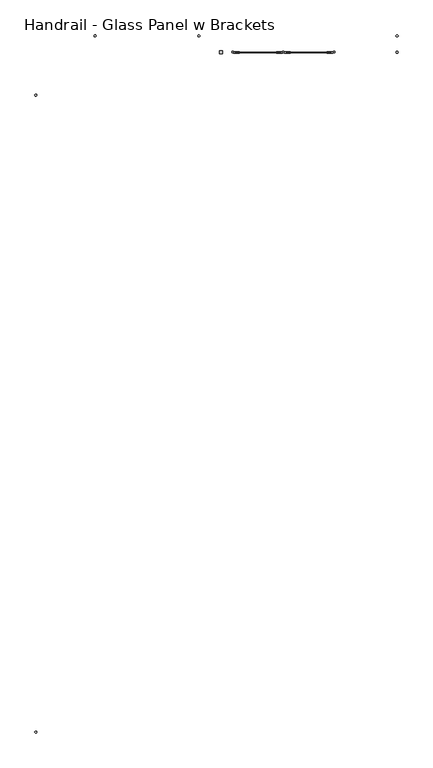
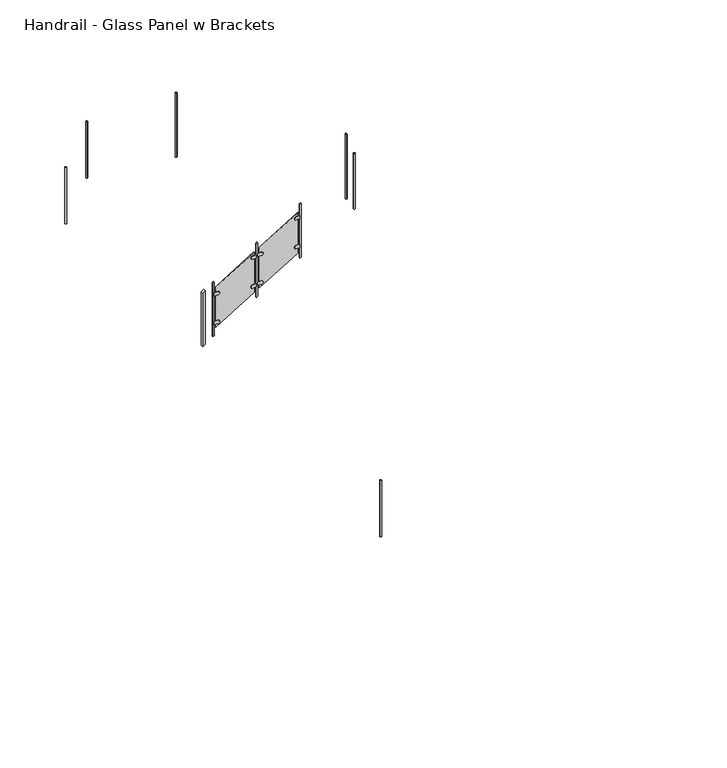
"""IFC4 building model written with IfcOpenShell, lengths in millimetres: railing geometry, Handrail - Glass Panel w Brackets."""

from ifc_helpers import new_model, si_unit, point, frame, frame_2d, origin, place, context, project, spatial, polyline, circle_curve, ellipse_curve, trimmed, segment, composite_curve, outline, extrude, source, transform, mapped, element, save
from ifc_brep_helpers import plane_surface, cylinder_surface, advanced_brep


def handrail_glass_panel_w_brackets_433edfd0(model_context):
    return source(origin(), model_context, "Body", "SolidModel", [
        extrude(outline(polyline([(1880.6197519, -1575.8516552), (1052.318645, -1575.8516552), (1063.8640995, -1556.8016552), (1892.1652064, -1556.8016552), (1880.6197519, -1575.8516552)])), frame((0.0, 9259.252236, 0.0), z_axis=(0.0, 1.0, 0.0), x_axis=(0.0, 0.0, 1.0)), (0.0, 0.0, 1.0), 19.05),
        extrude(outline(composite_curve([segment(trimmed(circle_curve(frame_2d((1687.9933191, -1629.8266552)), 25.4), [point((1713.3933191, -1629.8266552))], [point((1662.5933191, -1629.8266552))], False, "CARTESIAN"), True, "CONTINUOUS"), segment(polyline([(1662.5933191, -1629.8266552), (1662.5933191, -1579.0266552), (1713.3933191, -1579.0266552), (1713.3933191, -1629.8266552)]), True, "CONTINUOUS")], self_intersect=False)), frame((0.0, 9256.077236, 0.0), z_axis=(0.0, 1.0, 0.0), x_axis=(0.0, 0.0, 1.0)), (0.0, 0.0, 1.0), 19.05),
        extrude(outline(composite_curve([segment(polyline([(1343.9387736, -2137.8266552), (1343.9387736, -2188.6266552), (1293.1387736, -2188.6266552), (1293.1387736, -2137.8266552)]), True, "CONTINUOUS"), segment(trimmed(circle_curve(frame_2d((1318.5387736, -2137.8266552)), 25.4), [point((1293.1387736, -2137.8266552))], [point((1343.9387736, -2137.8266552))], False, "CARTESIAN"), True, "CONTINUOUS")], self_intersect=False)), frame((0.0, 9256.077236, 0.0), z_axis=(0.0, 1.0, 0.0), x_axis=(0.0, 0.0, 1.0)), (0.0, 0.0, 1.0), 19.05),
        extrude(outline(composite_curve([segment(trimmed(circle_curve(frame_2d((1244.0998902, -1629.8266552)), 25.4), [point((1269.4998902, -1629.8266552))], [point((1218.6998902, -1629.8266552))], False, "CARTESIAN"), True, "CONTINUOUS"), segment(polyline([(1218.6998902, -1629.8266552), (1218.6998902, -1579.0266552), (1269.4998902, -1579.0266552), (1269.4998902, -1629.8266552)]), True, "CONTINUOUS")], self_intersect=False)), frame((0.0, 9256.077236, 0.0), z_axis=(0.0, 1.0, 0.0), x_axis=(0.0, 0.0, 1.0)), (0.0, 0.0, 1.0), 19.05),
        extrude(outline(composite_curve([segment(polyline([(900.0453447, -2137.8266552), (900.0453447, -2188.6266552), (849.2453447, -2188.6266552), (849.2453447, -2137.8266552)]), True, "CONTINUOUS"), segment(trimmed(circle_curve(frame_2d((874.6453447, -2137.8266552)), 25.4), [point((849.2453447, -2137.8266552))], [point((900.0453447, -2137.8266552))], False, "CARTESIAN"), True, "CONTINUOUS")], self_intersect=False)), frame((0.0, 9256.077236, 0.0), z_axis=(0.0, 1.0, 0.0), x_axis=(0.0, 0.0, 1.0)), (0.0, 0.0, 1.0), 19.05),
        extrude(outline(polyline([(1423.0349034, -2163.2266552), (800.9370938, -2163.2266552), (1139.6037604, -1604.4266552), (1761.70157, -1604.4266552), (1423.0349034, -2163.2266552)])), frame((0.0, 9262.427236, 0.0), z_axis=(0.0, 1.0, 0.0), x_axis=(0.0, 0.0, 1.0)), (0.0, 0.0, 1.0), 6.35),
        extrude(outline(polyline([(1495.771267, -2210.8516552), (667.4701601, -2210.8516552), (679.0156147, -2191.8016552), (1507.3167216, -2191.8016552), (1495.771267, -2210.8516552)])), frame((0.0, 9259.252236, 0.0), z_axis=(0.0, 1.0, 0.0), x_axis=(0.0, 0.0, 1.0)), (0.0, 0.0, 1.0), 19.05),
        extrude(outline(composite_curve([segment(trimmed(circle_curve(frame_2d((1303.1448342, -2264.8266552)), 25.4), [point((1328.5448342, -2264.8266552))], [point((1277.7448342, -2264.8266552))], False, "CARTESIAN"), True, "CONTINUOUS"), segment(polyline([(1277.7448342, -2264.8266552), (1277.7448342, -2214.0266552), (1328.5448342, -2214.0266552), (1328.5448342, -2264.8266552)]), True, "CONTINUOUS")], self_intersect=False)), frame((0.0, 9256.077236, 0.0), z_axis=(0.0, 1.0, 0.0), x_axis=(0.0, 0.0, 1.0)), (0.0, 0.0, 1.0), 19.05),
        extrude(outline(composite_curve([segment(polyline([(959.0902888, -2772.8266552), (959.0902888, -2823.6266552), (908.2902888, -2823.6266552), (908.2902888, -2772.8266552)]), True, "CONTINUOUS"), segment(trimmed(circle_curve(frame_2d((933.6902888, -2772.8266552)), 25.4), [point((908.2902888, -2772.8266552))], [point((959.0902888, -2772.8266552))], False, "CARTESIAN"), True, "CONTINUOUS")], self_intersect=False)), frame((0.0, 9256.077236, 0.0), z_axis=(0.0, 1.0, 0.0), x_axis=(0.0, 0.0, 1.0)), (0.0, 0.0, 1.0), 19.05),
        extrude(outline(composite_curve([segment(trimmed(circle_curve(frame_2d((859.2514054, -2264.8266552)), 25.4), [point((884.6514054, -2264.8266552))], [point((833.8514054, -2264.8266552))], False, "CARTESIAN"), True, "CONTINUOUS"), segment(polyline([(833.8514054, -2264.8266552), (833.8514054, -2214.0266552), (884.6514054, -2214.0266552), (884.6514054, -2264.8266552)]), True, "CONTINUOUS")], self_intersect=False)), frame((0.0, 9256.077236, 0.0), z_axis=(0.0, 1.0, 0.0), x_axis=(0.0, 0.0, 1.0)), (0.0, 0.0, 1.0), 19.05),
        extrude(outline(composite_curve([segment(polyline([(515.1968599, -2772.8266552), (515.1968599, -2823.6266552), (464.3968599, -2823.6266552), (464.3968599, -2772.8266552)]), True, "CONTINUOUS"), segment(trimmed(circle_curve(frame_2d((489.7968599, -2772.8266552)), 25.4), [point((464.3968599, -2772.8266552))], [point((515.1968599, -2772.8266552))], False, "CARTESIAN"), True, "CONTINUOUS")], self_intersect=False)), frame((0.0, 9256.077236, 0.0), z_axis=(0.0, 1.0, 0.0), x_axis=(0.0, 0.0, 1.0)), (0.0, 0.0, 1.0), 19.05),
        extrude(outline(polyline([(1038.1864185, -2798.2266552), (416.0886089, -2798.2266552), (754.7552756, -2239.4266552), (1376.8530852, -2239.4266552), (1038.1864185, -2798.2266552)])), frame((0.0, 9262.427236, 0.0), z_axis=(0.0, 1.0, 0.0), x_axis=(0.0, 0.0, 1.0)), (0.0, 0.0, 1.0), 6.35),
        extrude(outline(polyline([(1110.9227822, -2845.8516552), (282.6216753, -2845.8516552), (294.1671298, -2826.8016552), (1122.4682367, -2826.8016552), (1110.9227822, -2845.8516552)])), frame((0.0, 9259.252236, 0.0), z_axis=(0.0, 1.0, 0.0), x_axis=(0.0, 0.0, 1.0)), (0.0, 0.0, 1.0), 19.05),
        extrude(outline(composite_curve([segment(trimmed(circle_curve(frame_2d((-5296.9516552, 8732.606785)), 12.7), [point((-5305.9319113, 8741.5870411))], [point((-5287.9713991, 8723.6265289))], False, "CARTESIAN"), True, "CONTINUOUS"), segment(trimmed(circle_curve(frame_2d((-5296.9516552, 8732.606785)), 12.7), [point((-5287.9713991, 8723.6265289))], [point((-5305.9319113, 8741.5870411))], False, "CARTESIAN"), True, "CONTINUOUS")], self_intersect=False)), frame((0.0, 0.0, 3211.7376169), z_axis=(0.0, 0.0, 1.0), x_axis=(1.0, 0.0, 0.0)), (0.0, 0.0, 1.0), 863.6),
        extrude(outline(composite_curve([segment(trimmed(circle_curve(frame_2d((-4557.5812041, 9471.977236)), 12.7), [point((-4557.5812041, 9484.677236))], [point((-4557.5812041, 9459.277236))], False, "CARTESIAN"), True, "CONTINUOUS"), segment(trimmed(circle_curve(frame_2d((-4557.5812041, 9471.977236)), 12.7), [point((-4557.5812041, 9459.277236))], [point((-4557.5812041, 9484.677236))], False, "CARTESIAN"), True, "CONTINUOUS")], self_intersect=False)), frame((0.0, 0.0, 3210.6468773), z_axis=(0.0, 0.0, 1.0), x_axis=(1.0, 0.0, 0.0)), (0.0, 0.0, 1.0), 864.6907396),
        advanced_brep(
        [(-3258.893723, 9459.277236, 4066.7361566), (-3258.893723, 9484.677236, 4066.7361566), (-3258.893723, 9484.677236, 3076.0088616), (-3258.893723, 9459.277236, 3076.0088616)],
        [
            (0, 1, ellipse_curve(frame((-3258.893723, 9471.977236, 4066.7361566), z_axis=(-0.5183017160933433, 0.0, -0.8551978315540185), x_axis=(-0.8551978315540185, 0.0, 0.5183017160933432)), 14.8503651, 12.7)),
            (1, 2),
            (2, 3, circle_curve(frame((-3258.893723, 9471.977236, 3076.0088616), z_axis=(0.0, 0.0, 1.0), x_axis=(0.0, 1.0, 0.0)), 12.7)),
            (3, 0),
            (3, 2, circle_curve(frame((-3258.893723, 9471.977236, 3076.0088616), z_axis=(0.0, 0.0, 1.0), x_axis=(0.0, 1.0, 0.0)), 12.7)),
            (1, 0, ellipse_curve(frame((-3258.893723, 9471.977236, 4066.7361566), z_axis=(-0.5183017160933433, 0.0, -0.8551978315540185), x_axis=(-0.8551978315540185, 0.0, 0.5183017160933432)), 14.8503651, 12.7)),
        ],
        [
            cylinder_surface(frame((-3258.893723, 9471.977236, 2847.4088616), z_axis=(0.0, 0.0, 1.0), x_axis=(0.0, 1.0, 0.0)), 12.7),
            plane_surface(frame((-3284.293723, 9497.377236, 4082.130096), z_axis=(0.5183017160933433, 0.0, 0.8551978315540185), x_axis=(0.0, -1.0, 0.0))),
            plane_surface(frame((-3233.493723, 9497.377236, 3076.0088616), z_axis=(0.0, 0.0, -1.0), x_axis=(0.0, -1.0, 0.0))),
        ],
        [
            (0, [[1, 2, 3, 4]]),
            (0, [[5, -2, 6, -4]]),
            (1, [[-6, -1]]),
            (2, [[-5, -3]]),
        ],
    ),
        advanced_brep(
        [(-778.9266552, 9459.277236, 2563.7258125), (-778.9266552, 9484.677236, 2563.7258125), (-778.9266552, 9484.677236, 1565.275), (-778.9266552, 9459.277236, 1565.275)],
        [
            (0, 1, ellipse_curve(frame((-778.9266552, 9471.977236, 2563.7258125), z_axis=(-0.5183017160933416, 0.0, -0.8551978315540195), x_axis=(-0.8551978315540195, 0.0, 0.5183017160933416)), 14.8503651, 12.7)),
            (1, 2),
            (2, 3, circle_curve(frame((-778.9266552, 9471.977236, 1565.275), z_axis=(0.0, 0.0, 1.0), x_axis=(0.0, 1.0, 0.0)), 12.7)),
            (3, 0),
            (3, 2, circle_curve(frame((-778.9266552, 9471.977236, 1565.275), z_axis=(0.0, 0.0, 1.0), x_axis=(0.0, 1.0, 0.0)), 12.7)),
            (1, 0, ellipse_curve(frame((-778.9266552, 9471.977236, 2563.7258125), z_axis=(-0.5183017160933416, 0.0, -0.8551978315540195), x_axis=(-0.8551978315540195, 0.0, 0.5183017160933416)), 14.8503651, 12.7)),
        ],
        [
            cylinder_surface(frame((-778.9266552, 9471.977236, 1336.675), z_axis=(0.0, 0.0, 1.0), x_axis=(0.0, 1.0, 0.0)), 12.7),
            plane_surface(frame((-804.3266552, 9497.377236, 2579.1197519), z_axis=(0.5183017160933416, 0.0, 0.8551978315540195), x_axis=(0.0, -1.0, 0.0))),
            plane_surface(frame((-753.5266552, 9497.377236, 1565.275), z_axis=(0.0, 0.0, -1.0), x_axis=(0.0, -1.0, 0.0))),
        ],
        [
            (0, [[1, 2, 3, 4]]),
            (0, [[5, -2, 6, -4]]),
            (1, [[-6, -1]]),
            (2, [[-5, -3]]),
        ],
    ),
        advanced_brep(
        [(-791.6266552, 9268.777236, 2387.6), (-766.2266552, 9268.777236, 2387.6), (-766.2266552, 9268.777236, 1535.3034935), (-791.6266552, 9268.777236, 1535.3034935)],
        [
            (0, 1, circle_curve(frame((-778.9266552, 9268.777236, 2387.6), z_axis=(0.0, 0.0, -1.0), x_axis=(1.0, 0.0, 0.0)), 12.7)),
            (1, 2),
            (2, 3, ellipse_curve(frame((-778.9266552, 9268.777236, 1535.3034935), z_axis=(0.0, -0.518301716093344, 0.8551978315540181), x_axis=(0.0, 0.8551978315540181, 0.518301716093344)), 14.8503651, 12.7)),
            (3, 0),
            (3, 2, ellipse_curve(frame((-778.9266552, 9268.777236, 1535.3034935), z_axis=(0.0, -0.518301716093344, 0.8551978315540181), x_axis=(0.0, 0.8551978315540181, 0.518301716093344)), 14.8503651, 12.7)),
            (1, 0, circle_curve(frame((-778.9266552, 9268.777236, 2387.6), z_axis=(0.0, 0.0, -1.0), x_axis=(1.0, 0.0, 0.0)), 12.7)),
        ],
        [
            cylinder_surface(frame((-778.9266552, 9268.777236, 1306.7034935), z_axis=(0.0, 0.0, 1.0), x_axis=(1.0, 0.0, 0.0)), 12.7),
            plane_surface(frame((-753.5266552, 9294.177236, 2387.6), z_axis=(0.0, 0.0, 1.0), x_axis=(-1.0, 0.0, 0.0))),
            plane_surface(frame((-753.5266552, 9243.377236, 1519.9095541), z_axis=(0.0, 0.518301716093344, -0.8551978315540181), x_axis=(-1.0, 0.0, 0.0))),
        ],
        [
            (0, [[1, 2, 3, 4]]),
            (0, [[5, -2, 6, -4]]),
            (1, [[-6, -1]]),
            (2, [[-5, -3]]),
        ],
    ),
        extrude(outline(composite_curve([segment(trimmed(circle_curve(frame_2d((-5296.9516552, 773.8855424)), 12.7), [point((-5309.6516552, 773.8855424))], [point((-5284.2516552, 773.8855424))], False, "CARTESIAN"), True, "CONTINUOUS"), segment(trimmed(circle_curve(frame_2d((-5296.9516552, 773.8855424)), 12.7), [point((-5284.2516552, 773.8855424))], [point((-5309.6516552, 773.8855424))], False, "CARTESIAN"), True, "CONTINUOUS")], self_intersect=False)), frame((0.0, 0.0, 3211.7376169), z_axis=(0.0, 0.0, 1.0), x_axis=(1.0, 0.0, 0.0)), (0.0, 0.0, 1.0), 863.6),
        extrude(outline(polyline([(1018.5591458, -2998.2516552), (190.2580389, -2998.2516552), (213.348948, -2960.1516552), (1041.6500549, -2960.1516552), (1018.5591458, -2998.2516552)])), frame((0.0, 9249.727236, 0.0), z_axis=(0.0, 1.0, 0.0), x_axis=(0.0, 0.0, 1.0)), (0.0, 0.0, 1.0), 38.1),
    ])


if __name__ == "__main__":
    model = new_model("IFC4")
    model_context = context("Model", 3, world=origin())
    ifc_project = project(units=[si_unit("LENGTHUNIT", "METRE", prefix="MILLI")], contexts=[model_context])
    site = spatial("IfcSite", under=ifc_project)
    building = spatial("IfcBuilding", under=site)
    placement = place(None, origin())
    handrail_glass_panel_w_brackets_shape = handrail_glass_panel_w_brackets_433edfd0(model_context)
    element("IfcRailing", 1, ObjectType="Handrail - Glass Panel w Brackets", at=placement, inside=building, context=model_context, shape_type="MappedRepresentation", body=[
        mapped(handrail_glass_panel_w_brackets_shape, transform((0.0, 0.0, 0.0), x_axis=(1.0, 0.0, 0.0), y_axis=(0.0, 1.0, 0.0), z_axis=(0.0, 0.0, 1.0))),
    ])
    save(model, "model.ifc")
